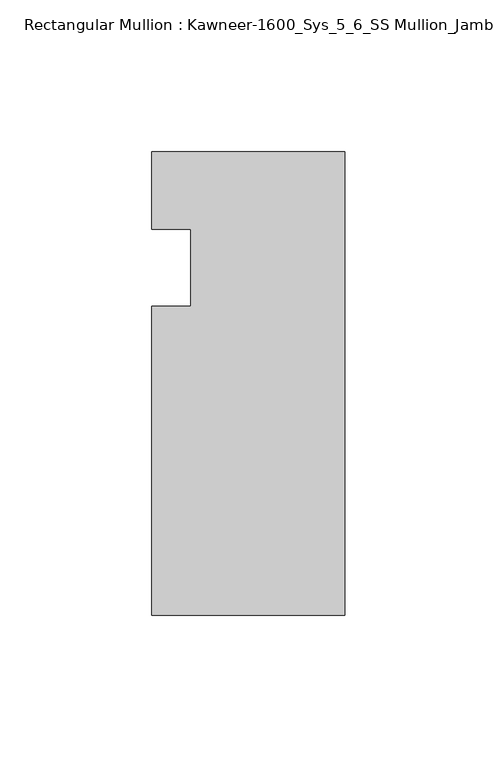
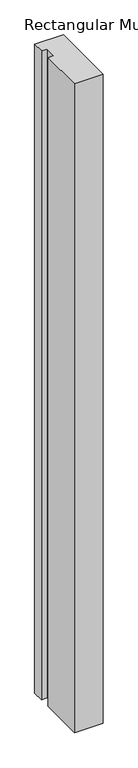
"""IFC4 building model written with IfcOpenShell, lengths in millimetres: member geometry, Rectangular Mullion : Kawneer-1600_Sys_5_6_SS Mullion_Jamb L."""

from ifc_helpers import new_model, si_unit, frame, origin, place, context, project, spatial, polyline, outline, extrude, source, transform, mapped, element, save


def rectangular_mullion_kawneer_1600_sys_5_6_ss_mullion_jamb_l_370eddd3(model_context):
    return source(origin(), model_context, "Body", "SweptSolid", [
        extrude(outline(polyline([(-63.5, -114.3), (-63.5, -12.7), (-50.7982296, -12.7), (-50.7982296, 12.7), (-63.5, 12.7), (-63.5, 38.1), (0.0, 38.1), (0.0, -114.3), (-63.5, -114.3)])), frame((0.0, 0.0, -1524.0), z_axis=(0.0, 0.0, 1.0), x_axis=(1.0, 0.0, 0.0)), (0.0, 0.0, 1.0), 1524.0),
    ])


if __name__ == "__main__":
    model = new_model("IFC4")
    model_context = context("Model", 3, world=origin())
    ifc_project = project(units=[si_unit("LENGTHUNIT", "METRE", prefix="MILLI")], contexts=[model_context])
    site = spatial("IfcSite", under=ifc_project)
    building = spatial("IfcBuilding", under=site)
    placement = place(None, origin())
    rectangular_mullion_kawneer_1600_sys_5_6_ss_mullion_jamb_l_shape = rectangular_mullion_kawneer_1600_sys_5_6_ss_mullion_jamb_l_370eddd3(model_context)
    element("IfcMember", 1, ObjectType="Rectangular Mullion : Kawneer-1600_Sys_5_6_SS Mullion_Jamb L", at=placement, inside=building, context=model_context, shape_type="MappedRepresentation", body=[
        mapped(rectangular_mullion_kawneer_1600_sys_5_6_ss_mullion_jamb_l_shape, transform((0.0, 0.0, 0.0), x_axis=(1.0, 0.0, 0.0), y_axis=(0.0, 1.0, 0.0), z_axis=(0.0, 0.0, 1.0))),
    ])
    save(model, "model.ifc")
